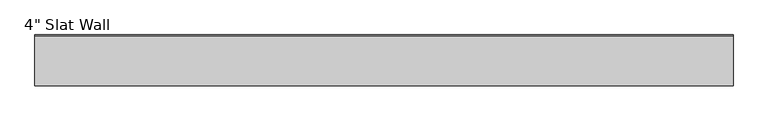
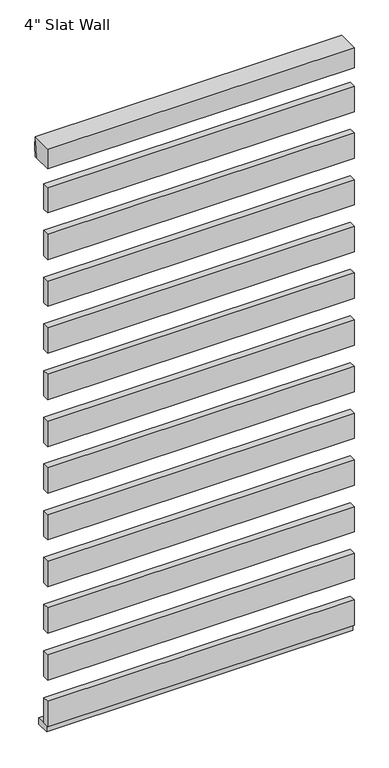
"""IFC4 building model written with IfcOpenShell, lengths in millimetres: plate geometry."""

from ifc_helpers import new_model, si_unit, point, frame, frame_2d, origin, place, context, project, spatial, polyline, circle_curve, trimmed, segment, composite_curve, outline, extrude, source, transform, mapped, element, save


def plate_8f3b7463(model_context):
    return source(origin(), model_context, "Body", "SweptSolid", [
        extrude(outline(polyline([(-7.9375, 313.8920455), (-33.3375, 313.8920455), (-33.3375, 415.4920455), (-7.9375, 415.4920455), (-7.9375, 402.7920455), (-7.9375, 366.2795455), (-7.9375, 363.1045455), (-7.9375, 326.5920455), (-7.9375, 313.8920455)])), frame((-579.6545763, 0.0, 0.0), z_axis=(1.0, 0.0, 0.0), x_axis=(0.0, 1.0, 0.0)), (0.0, 0.0, 1.0), 1159.3091525),
        extrude(outline(polyline([(-7.9375, 500.7840909), (-33.3375, 500.7840909), (-33.3375, 602.3840909), (-7.9375, 602.3840909), (-7.9375, 589.6840909), (-7.9375, 553.1715909), (-7.9375, 549.9965909), (-7.9375, 513.4840909), (-7.9375, 500.7840909)])), frame((-579.6545763, 0.0, 0.0), z_axis=(1.0, 0.0, 0.0), x_axis=(0.0, 1.0, 0.0)), (0.0, 0.0, 1.0), 1159.3091525),
        extrude(outline(polyline([(-7.9375, 687.6761364), (-33.3375, 687.6761364), (-33.3375, 789.2761364), (-7.9375, 789.2761364), (-7.9375, 776.5761364), (-7.9375, 740.0636364), (-7.9375, 736.8886364), (-7.9375, 700.3761364), (-7.9375, 687.6761364)])), frame((-579.6545763, 0.0, 0.0), z_axis=(1.0, 0.0, 0.0), x_axis=(0.0, 1.0, 0.0)), (0.0, 0.0, 1.0), 1159.3091525),
        extrude(outline(polyline([(-7.9375, 874.5681818), (-33.3375, 874.5681818), (-33.3375, 976.1681818), (-7.9375, 976.1681818), (-7.9375, 963.4681818), (-7.9375, 926.9556818), (-7.9375, 923.7806818), (-7.9375, 887.2681818), (-7.9375, 874.5681818)])), frame((-579.6545763, 0.0, 0.0), z_axis=(1.0, 0.0, 0.0), x_axis=(0.0, 1.0, 0.0)), (0.0, 0.0, 1.0), 1159.3091525),
        extrude(outline(polyline([(-7.9375, 1061.4602273), (-33.3375, 1061.4602273), (-33.3375, 1163.0602273), (-7.9375, 1163.0602273), (-7.9375, 1150.3602273), (-7.9375, 1113.8477273), (-7.9375, 1110.6727273), (-7.9375, 1074.1602273), (-7.9375, 1061.4602273)])), frame((-579.6545763, 0.0, 0.0), z_axis=(1.0, 0.0, 0.0), x_axis=(0.0, 1.0, 0.0)), (0.0, 0.0, 1.0), 1159.3091525),
        extrude(outline(polyline([(-7.9375, 1248.3522727), (-33.3375, 1248.3522727), (-33.3375, 1349.9522727), (-7.9375, 1349.9522727), (-7.9375, 1337.2522727), (-7.9375, 1300.7397727), (-7.9375, 1297.5647727), (-7.9375, 1261.0522727), (-7.9375, 1248.3522727)])), frame((-579.6545763, 0.0, 0.0), z_axis=(1.0, 0.0, 0.0), x_axis=(0.0, 1.0, 0.0)), (0.0, 0.0, 1.0), 1159.3091525),
        extrude(outline(polyline([(-7.9375, 1435.2443182), (-33.3375, 1435.2443182), (-33.3375, 1536.8443182), (-7.9375, 1536.8443182), (-7.9375, 1524.1443182), (-7.9375, 1487.6318182), (-7.9375, 1484.4568182), (-7.9375, 1447.9443182), (-7.9375, 1435.2443182)])), frame((-579.6545763, 0.0, 0.0), z_axis=(1.0, 0.0, 0.0), x_axis=(0.0, 1.0, 0.0)), (0.0, 0.0, 1.0), 1159.3091525),
        extrude(outline(polyline([(-7.9375, 1622.1363636), (-33.3375, 1622.1363636), (-33.3375, 1723.7363636), (-7.9375, 1723.7363636), (-7.9375, 1711.0363636), (-7.9375, 1674.5238636), (-7.9375, 1671.3488636), (-7.9375, 1634.8363636), (-7.9375, 1622.1363636)])), frame((-579.6545763, 0.0, 0.0), z_axis=(1.0, 0.0, 0.0), x_axis=(0.0, 1.0, 0.0)), (0.0, 0.0, 1.0), 1159.3091525),
        extrude(outline(polyline([(-7.9375, 1809.0284091), (-33.3375, 1809.0284091), (-33.3375, 1910.6284091), (-7.9375, 1910.6284091), (-7.9375, 1897.9284091), (-7.9375, 1861.4159091), (-7.9375, 1858.2409091), (-7.9375, 1821.7284091), (-7.9375, 1809.0284091)])), frame((-579.6545763, 0.0, 0.0), z_axis=(1.0, 0.0, 0.0), x_axis=(0.0, 1.0, 0.0)), (0.0, 0.0, 1.0), 1159.3091525),
        extrude(outline(polyline([(-7.9375, 1995.9204545), (-33.3375, 1995.9204545), (-33.3375, 2097.5204545), (-7.9375, 2097.5204545), (-7.9375, 2084.8204545), (-7.9375, 2048.3079545), (-7.9375, 2045.1329545), (-7.9375, 2008.6204545), (-7.9375, 1995.9204545)])), frame((-579.6545763, 0.0, 0.0), z_axis=(1.0, 0.0, 0.0), x_axis=(0.0, 1.0, 0.0)), (0.0, 0.0, 1.0), 1159.3091525),
        extrude(outline(polyline([(-7.9375, 127.0), (-33.3375, 127.0), (-33.3375, 228.6), (-7.9375, 228.6), (-7.9375, 215.9), (-7.9375, 179.3875), (-7.9375, 176.2125), (-7.9375, 139.7), (-7.9375, 127.0)])), frame((-579.6545763, 0.0, 0.0), z_axis=(1.0, 0.0, 0.0), x_axis=(0.0, 1.0, 0.0)), (0.0, 0.0, 1.0), 1159.3091525),
        extrude(outline(polyline([(-7.9375, 2182.8125), (-33.3375, 2182.8125), (-33.3375, 2284.4125), (-7.9375, 2284.4125), (-7.9375, 2271.7125), (-7.9375, 2235.2), (-7.9375, 2232.025), (-7.9375, 2195.5125), (-7.9375, 2182.8125)])), frame((-579.6545763, 0.0, 0.0), z_axis=(1.0, 0.0, 0.0), x_axis=(0.0, 1.0, 0.0)), (0.0, 0.0, 1.0), 1159.3091525),
        extrude(outline(composite_curve([segment(polyline([(-33.3375, 2438.4), (48.41875, 2438.4), (48.41875, 2435.225)]), True, "CONTINUOUS"), segment(trimmed(circle_curve(frame_2d((372.2960463, 2356.0450255)), 333.4156137), [point((48.41875, 2435.225))], [point((38.89375, 2359.025))], True, "CARTESIAN"), True, "CONTINUOUS"), segment(polyline([(38.89375, 2359.025), (-33.3375, 2359.025), (-33.3375, 2438.4)]), True, "CONTINUOUS")], self_intersect=False)), frame((-579.6545763, 0.0, 0.0), z_axis=(1.0, 0.0, 0.0), x_axis=(0.0, 1.0, 0.0)), (0.0, 0.0, 1.0), 1159.3091525),
        extrude(outline(composite_curve([segment(polyline([(-33.3375, 2359.025), (-33.3375, 2438.4), (48.41875, 2438.4)]), True, "CONTINUOUS"), segment(trimmed(circle_curve(frame_2d((-263.8341329, 2398.7125)), 314.7649291), [point((48.41875, 2438.4))], [point((48.41875, 2359.025))], False, "CARTESIAN"), True, "CONTINUOUS"), segment(polyline([(48.41875, 2359.025), (-33.3375, 2359.025)]), True, "CONTINUOUS")], self_intersect=False)), frame((-579.6545763, 0.0, 0.0), z_axis=(1.0, 0.0, 0.0), x_axis=(0.0, 1.0, 0.0)), (0.0, 0.0, 1.0), 1159.3091525),
        extrude(outline(polyline([(-579.6545763, -25.4), (-579.6545763, 25.4), (579.6545763, 25.4), (579.6545763, -25.4), (-579.6545763, -25.4)])), frame((0.0, 0.0, 101.6), z_axis=(0.0, 0.0, 1.0), x_axis=(1.0, 0.0, 0.0)), (0.0, 0.0, 1.0), 25.4),
    ])


if __name__ == "__main__":
    model = new_model("IFC4")
    model_context = context("Model", 3, world=origin())
    ifc_project = project(units=[si_unit("LENGTHUNIT", "METRE", prefix="MILLI")], contexts=[model_context])
    site = spatial("IfcSite", under=ifc_project)
    building = spatial("IfcBuilding", under=site)
    placement = place(None, origin())
    plate_shape = plate_8f3b7463(model_context)
    element("IfcPlate", 1, ObjectType="4\" Slat Wall", at=placement, inside=building, context=model_context, shape_type="MappedRepresentation", body=[
        mapped(plate_shape, transform((0.0, 0.0, 0.0), x_axis=(1.0, 0.0, 0.0), y_axis=(0.0, 1.0, 0.0), z_axis=(0.0, 0.0, 1.0))),
    ])
    save(model, "model.ifc")
